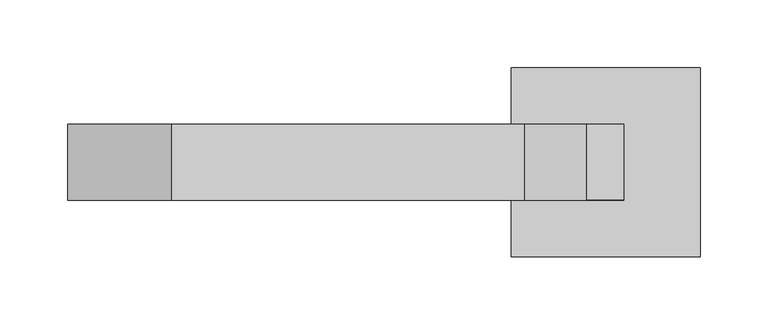
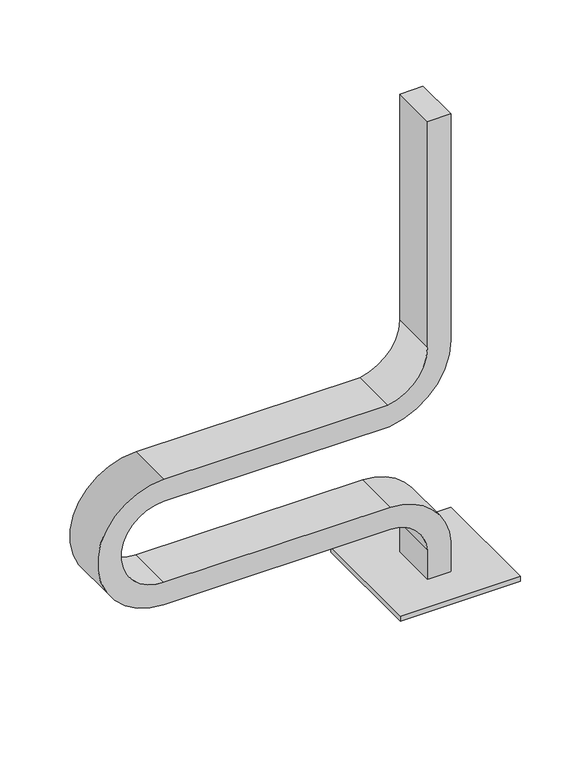
"""IFC4 building model written with IfcOpenShell, lengths in millimetres: furniture geometry."""

import ifcopenshell
import ifcopenshell.guid

model = None  # the IFC model being written
_history = None  # IfcOwnerHistory: only IFC2X3 demands one
_inside = {}  # id of a spatial element -> (the spatial element, [elements in it])
_under = {}  # id of a project, library or spatial element -> (it, [spatial elements below it])
_declared = {}  # id of a project -> (the project, [libraries it declares])
_typed = {}  # id of a type object -> (the type object, [elements of that type])
_made_of = {}  # id of a material, layer set ... -> (it, [elements and type objects made of it])


def new_model(schema):
    """Start an empty IFC model of exactly this schema.

    Asked for "IFC4X3", IfcOpenShell would pick the latest addendum, in which some entities
    have other attributes; the version numbers below select the first issue.
    IFC2X3 requires an IfcOwnerHistory on every rooted entity: one is made here for all.
    """
    global model, _history
    if schema == "IFC4X3":
        model = ifcopenshell.file(schema_version=(4, 3, 0, 0))
    else:
        model = ifcopenshell.file(schema=schema)
    _inside.clear()
    _under.clear()
    _declared.clear()
    _typed.clear()
    _made_of.clear()
    _history = None
    if model.schema == "IFC2X3":
        org = make("IfcOrganization", Name="unknown")
        user = make(
            "IfcPersonAndOrganization",
            ThePerson=make("IfcPerson", FamilyName="unknown"),
            TheOrganization=org,
        )
        app = make(
            "IfcApplication",
            ApplicationDeveloper=org,
            Version="unknown",
            ApplicationFullName="unknown",
            ApplicationIdentifier="unknown",
        )
        _history = make(
            "IfcOwnerHistory",
            OwningUser=user,
            OwningApplication=app,
            ChangeAction="ADDED",
            CreationDate=0,
        )
    return model


def make(cls, **values):
    """One entity of the class cls with the attributes given. An attribute that is None is left unset."""
    return model.create_entity(
        cls, **{name: value for name, value in values.items() if value is not None}
    )


def rooted(cls, **values):
    """An entity with a GlobalId (a new one), such as an element, a storey or a relation."""
    return make(cls, GlobalId=ifcopenshell.guid.new(), OwnerHistory=_history, **values)


def si_unit(unit_type, name, prefix=None):
    """IfcSIUnit, for example si_unit("LENGTHUNIT", "METRE", prefix="MILLI")."""
    return make("IfcSIUnit", UnitType=unit_type, Prefix=prefix, Name=name)


def assignment(units):
    """IfcUnitAssignment: the units of a project."""
    return None if units is None else make("IfcUnitAssignment", Units=units)


def point(xyz):
    """IfcCartesianPoint."""
    return None if xyz is None else make("IfcCartesianPoint", Coordinates=xyz)


def direction(xyz):
    """IfcDirection."""
    return None if xyz is None else make("IfcDirection", DirectionRatios=xyz)


def frame(location, z_axis=None, x_axis=None):
    """IfcAxis2Placement3D, a coordinate frame: its origin and axes. An axis left out is left unset."""
    return make(
        "IfcAxis2Placement3D",
        Location=point(location),
        Axis=direction(z_axis),
        RefDirection=direction(x_axis),
    )


def frame_2d(location, x_axis=None):
    """IfcAxis2Placement2D, a coordinate frame in the plane: its origin and x axis."""
    return make(
        "IfcAxis2Placement2D", Location=point(location), RefDirection=direction(x_axis)
    )


def origin():
    """The frame at (0, 0, 0) with its axes left unset."""
    return frame((0.0, 0.0, 0.0))


def origin_with_axes():
    """The frame at (0, 0, 0) with the z axis (0, 0, 1) and the x axis (1, 0, 0) written out."""
    return frame((0.0, 0.0, 0.0), z_axis=(0.0, 0.0, 1.0), x_axis=(1.0, 0.0, 0.0))


def place(relative_to, where):
    """IfcLocalPlacement: puts the frame where relative to a parent placement (None: the world)."""
    return make(
        "IfcLocalPlacement", PlacementRelTo=relative_to, RelativePlacement=where
    )


def context(
    kind, dimensions, precision=None, world=None, true_north=None, identifier=None
):
    """IfcGeometricRepresentationContext, for example the 3D "Model" context."""
    return make(
        "IfcGeometricRepresentationContext",
        ContextIdentifier=identifier,
        ContextType=kind,
        CoordinateSpaceDimension=dimensions,
        Precision=precision,
        WorldCoordinateSystem=world,
        TrueNorth=true_north,
    )


def project(units=None, contexts=None):
    """IfcProject with its units and contexts."""
    return rooted(
        "IfcProject",
        Name="project",
        RepresentationContexts=contexts,
        UnitsInContext=assignment(units),
    )


def spatial(cls, under=None, at=None, **own):
    """A site, building, storey or space (cls), placed at a placement, below another one or the project."""
    s = rooted(cls, ObjectPlacement=at, **own)
    if under is not None:
        _under.setdefault(under.id(), (under, []))[1].append(s)
    return s


def polyline(points):
    """IfcPolyline through the points."""
    return make("IfcPolyline", Points=[point(p) for p in points])


def circle_curve(where, radius):
    """IfcCircle in the frame where."""
    return make("IfcCircle", Position=where, Radius=radius)


def trimmed(basis, trim1, trim2, sense, master):
    """IfcTrimmedCurve: the piece of a basis curve between two trims."""
    return make(
        "IfcTrimmedCurve",
        BasisCurve=basis,
        Trim1=trim1,
        Trim2=trim2,
        SenseAgreement=sense,
        MasterRepresentation=master,
    )


def segment(curve, same_sense, transition):
    """IfcCompositeCurveSegment."""
    return make(
        "IfcCompositeCurveSegment",
        Transition=transition,
        SameSense=same_sense,
        ParentCurve=curve,
    )


def composite_curve(segments, self_intersect=None):
    """IfcCompositeCurve: segments joined end to end."""
    return make("IfcCompositeCurve", Segments=segments, SelfIntersect=self_intersect)


def outline(outer, holes=None, kind="AREA"):
    """IfcArbitraryClosedProfileDef: a profile drawn as a closed curve; with holes, ...WithVoids."""
    if holes is None:
        return make("IfcArbitraryClosedProfileDef", ProfileType=kind, OuterCurve=outer)
    return make(
        "IfcArbitraryProfileDefWithVoids",
        ProfileType=kind,
        OuterCurve=outer,
        InnerCurves=holes,
    )


def extrude(swept, where, along, depth):
    """IfcExtrudedAreaSolid: the profile swept, set in the frame where, extruded along a direction by depth."""
    return make(
        "IfcExtrudedAreaSolid",
        SweptArea=swept,
        Position=where,
        ExtrudedDirection=direction(along),
        Depth=depth,
    )


def shape(context_of_items, identifier, shape_type, items):
    """IfcShapeRepresentation: the items that make up one representation, for example the "Body"."""
    return make(
        "IfcShapeRepresentation",
        ContextOfItems=context_of_items,
        RepresentationIdentifier=identifier,
        RepresentationType=shape_type,
        Items=items,
    )


def source(mapping_origin, context_of_items, identifier, shape_type, items):
    """IfcRepresentationMap: a shape defined once, which mapped items show again and again."""
    return make(
        "IfcRepresentationMap",
        MappingOrigin=mapping_origin,
        MappedRepresentation=shape(context_of_items, identifier, shape_type, items),
    )


def transform(
    local_origin,
    x_axis=None,
    y_axis=None,
    z_axis=None,
    scale=None,
    scale2=None,
    scale3=None,
    uniform=True,
):
    """IfcCartesianTransformationOperator3D, or its non-uniform kind. x_axis, y_axis, z_axis: its Axis1, 2, 3."""
    if uniform:
        return make(
            "IfcCartesianTransformationOperator3D",
            Axis1=direction(x_axis),
            Axis2=direction(y_axis),
            LocalOrigin=point(local_origin),
            Scale=scale,
            Axis3=direction(z_axis),
        )
    return make(
        "IfcCartesianTransformationOperator3DnonUniform",
        Axis1=direction(x_axis),
        Axis2=direction(y_axis),
        LocalOrigin=point(local_origin),
        Scale=scale,
        Axis3=direction(z_axis),
        Scale2=scale2,
        Scale3=scale3,
    )


def mapped(mapping_source, mapping_target):
    """IfcMappedItem: shows the shape of a source again, moved by a transform."""
    return make(
        "IfcMappedItem", MappingSource=mapping_source, MappingTarget=mapping_target
    )


def made_of(thing, what):
    """Note that an element or type object is made of a material, layer set ...; save() writes the relation."""
    if what is not None:
        _made_of.setdefault(what.id(), (what, []))[1].append(thing)
    return thing


def element(
    cls,
    number,
    at=None,
    inside=None,
    cuts=None,
    type_object=None,
    material=None,
    context=None,
    identifier="Body",
    shape_type=None,
    held_by="IfcProductDefinitionShape",
    body=None,
    shapes=None,
    **own,
):
    """One element of the class cls, such as IfcWall. Its Tag is "e" and its number.

    at: its placement. inside: the storey or other place that contains it. cuts: it is an
    opening in that element (IfcRelVoidsElement). A single representation is given by context,
    identifier, shape_type and body (its items); several are given by shapes. held_by: the class
    of the entity that holds the representations. save() writes the other relations.
    """
    e = rooted(cls, Tag="e%d" % number, ObjectPlacement=at, **own)
    if body is not None:
        shapes = [shape(context, identifier, shape_type, body)]
    if shapes is not None:
        e.Representation = make(held_by, Representations=shapes)
    if inside is not None:
        _inside.setdefault(inside.id(), (inside, []))[1].append(e)
    if cuts is not None:
        rooted(
            "IfcRelVoidsElement", RelatingBuildingElement=cuts, RelatedOpeningElement=e
        )
    if type_object is not None:
        _typed.setdefault(type_object.id(), (type_object, []))[1].append(e)
    return made_of(e, material)


def aggregate(whole, parts):
    """IfcRelAggregates: a whole, such as a stair, and the parts it consists of."""
    return rooted("IfcRelAggregates", RelatingObject=whole, RelatedObjects=parts)


def save(model, path):
    """Write the relations noted so far, then the file.

    IfcRelAggregates (storeys below a building ...), IfcRelContainedInSpatialStructure (elements
    in a storey), IfcRelDefinesByType, IfcRelAssociatesMaterial and IfcRelDeclares: one each for
    every whole, place, type object, material and project.
    """
    for whole, parts in _under.values():
        aggregate(whole, parts)
    for where, things in _inside.values():
        rooted(
            "IfcRelContainedInSpatialStructure",
            RelatedElements=things,
            RelatingStructure=where,
        )
    for kind, things in _typed.values():
        rooted("IfcRelDefinesByType", RelatedObjects=things, RelatingType=kind)
    for what, things in _made_of.values():
        rooted("IfcRelAssociatesMaterial", RelatedObjects=things, RelatingMaterial=what)
    for by, libraries in _declared.values():
        rooted("IfcRelDeclares", RelatingContext=by, RelatedDefinitions=libraries)
    model.write(path)


def plane_surface(at):
    """IfcPlane: the flat surface through the origin of the frame at, square to its z axis."""
    return make("IfcPlane", Position=at)


def cylinder_surface(at, radius):
    """IfcCylindricalSurface: all points at the distance radius from the z axis of the frame at."""
    return make("IfcCylindricalSurface", Position=at, Radius=radius)


def revolved_surface(curve, axis_point, axis_direction):
    """IfcSurfaceOfRevolution: the curve turned about the line through axis_point along axis_direction."""
    return make(
        "IfcSurfaceOfRevolution",
        SweptCurve=make("IfcArbitraryOpenProfileDef", ProfileType="CURVE", Curve=curve),
        AxisPosition=make("IfcAxis1Placement", Location=point(axis_point), Axis=direction(axis_direction)),
    )


def advanced_brep(points, edges, surfaces, faces):
    """IfcAdvancedBrep: a solid bounded by faces that lie on surfaces and meet in shared edges.

    An edge is (start, end): straight between two places in points (the first is 0);
    or (start, end, curve); or (start, end, curve, False) where it runs against its curve.
    A face is (place in surfaces, loops), or (place, loops, False) where it looks against
    its surface's normal. A loop lists edges by number (the first is 1), with a minus sign
    where the edge is run from its end to its start. The first loop is the outer one.
    """
    corners = [point(p) for p in points]
    vertices = [make("IfcVertexPoint", VertexGeometry=c) for c in corners]
    made = []
    for start, end, *more in edges:
        made.append(
            make(
                "IfcEdgeCurve",
                EdgeStart=vertices[start],
                EdgeEnd=vertices[end],
                EdgeGeometry=more[0] if more else make("IfcPolyline", Points=[corners[start], corners[end]]),
                SameSense=more[1] if len(more) > 1 else True,
            )
        )
    hull = []
    for where, loops, *sense in faces:
        bounds = []
        for j, loop in enumerate(loops):
            ring = [make("IfcOrientedEdge", EdgeElement=made[abs(k) - 1], Orientation=k > 0) for k in loop]
            bounds.append(
                make(
                    "IfcFaceOuterBound" if j == 0 else "IfcFaceBound",
                    Bound=make("IfcEdgeLoop", EdgeList=ring),
                    Orientation=True,
                )
            )
        hull.append(make("IfcAdvancedFace", Bounds=bounds, FaceSurface=surfaces[where], SameSense=sense[0] if sense else True))
    return make("IfcAdvancedBrep", Outer=make("IfcClosedShell", CfsFaces=hull))


def furniture_2d7f54d5(model_context):
    return source(origin(), model_context, "Body", "SolidModel", [
        extrude(outline(composite_curve([segment(trimmed(circle_curve(frame_2d((763.6014244, 58.0553319)), 4.978544), [point((758.6228804, 58.0553319))], [point((768.5799684, 58.0553319))], False, "CARTESIAN"), True, "CONTINUOUS"), segment(trimmed(circle_curve(frame_2d((763.6014244, 58.0553319)), 4.978544), [point((768.5799684, 58.0553319))], [point((758.6228804, 58.0553319))], False, "CARTESIAN"), True, "CONTINUOUS")], self_intersect=False)), origin_with_axes(), (0.0, 0.0, 1.0), 5.0),
        extrude(outline(composite_curve([segment(trimmed(circle_curve(frame_2d((879.5288601, 58.0553319)), 4.978544), [point((874.5503161, 58.0553319))], [point((884.5074041, 58.0553319))], False, "CARTESIAN"), True, "CONTINUOUS"), segment(trimmed(circle_curve(frame_2d((879.5288601, 58.0553319)), 4.978544), [point((884.5074041, 58.0553319))], [point((874.5503161, 58.0553319))], False, "CARTESIAN"), True, "CONTINUOUS")], self_intersect=False)), origin_with_axes(), (0.0, 0.0, 1.0), 5.0),
        extrude(outline(composite_curve([segment(trimmed(circle_curve(frame_2d((763.6014244, -58.0553319)), 4.978544), [point((758.6228804, -58.0553319))], [point((768.5799684, -58.0553319))], False, "CARTESIAN"), True, "CONTINUOUS"), segment(trimmed(circle_curve(frame_2d((763.6014244, -58.0553319)), 4.978544), [point((768.5799684, -58.0553319))], [point((758.6228804, -58.0553319))], False, "CARTESIAN"), True, "CONTINUOUS")], self_intersect=False)), origin_with_axes(), (0.0, 0.0, 1.0), 5.0),
        extrude(outline(composite_curve([segment(trimmed(circle_curve(frame_2d((879.5288601, -58.0553319)), 4.978544), [point((874.5503161, -58.0553319))], [point((884.5074041, -58.0553319))], False, "CARTESIAN"), True, "CONTINUOUS"), segment(trimmed(circle_curve(frame_2d((879.5288601, -58.0553319)), 4.978544), [point((884.5074041, -58.0553319))], [point((874.5503161, -58.0553319))], False, "CARTESIAN"), True, "CONTINUOUS")], self_intersect=False)), origin_with_axes(), (0.0, 0.0, 1.0), 5.0),
        extrude(outline(polyline([(891.5651422, 70.0), (891.5651422, -70.0), (751.5651422, -70.0), (751.5651422, 70.0), (891.5651422, 70.0)])), frame((0.0, 0.0, 5.0), z_axis=(0.0, 0.0, 1.0), x_axis=(1.0, 0.0, 0.0)), (0.0, 0.0, 1.0), 6.0),
        advanced_brep(
        [(807.4659827, -27.9558153, 11.0), (807.4659827, 27.9558153, 11.0), (834.6579846, 27.9558153, 11.0), (834.6579846, -27.9558153, 11.0), (807.4659827, -27.9558153, 47.0524338), (807.4659827, 27.9558153, 47.0524338), (834.6579846, 27.9558153, 47.8147532), (834.6579846, -27.9558153, 47.8147532), (764.287774, 27.9558153, 87.9015784), (764.287774, -27.9558153, 87.9015784), (764.513913, -27.9558153, 115.0926399), (764.513913, 27.9558153, 115.0926399), (500.0, -27.9558153, 87.9010908), (500.0, 27.9558153, 87.9010908), (500.0, 27.9558153, 115.0930927), (500.0, -27.9558153, 115.0930927), (500.0, 27.9558153, 242.0989092), (500.0, -27.9558153, 242.0989092), (500.0, -27.9558153, 214.9069073), (500.0, 27.9558153, 214.9069073), (761.0306629, -27.9558153, 242.0989092), (761.0306629, 27.9558153, 242.0989092), (763.0352709, 27.9558153, 214.9069073), (763.0352709, -27.9558153, 214.9069073), (807.4662451, 27.9558153, 296.4787195), (807.4662451, -27.9558153, 296.4787195), (834.6577283, 27.9558153, 296.3107738), (807.4659762, 27.9558153, 575.0), (834.6579781, 27.9558153, 575.0), (834.6577283, -27.9558153, 296.3107738), (834.6579781, -27.9558153, 575.0), (807.4659762, -27.9558153, 575.0)],
        [
            (0, 1),
            (1, 2),
            (2, 3),
            (3, 0),
            (0, 4),
            (4, 5),
            (5, 1),
            (2, 6),
            (6, 7),
            (7, 3),
            (8, 5, circle_curve(frame((763.9249333, 27.9558153, 44.2734439), z_axis=(0.0, 1.0, 0.0), x_axis=(0.9984653379141396, 0.0, 0.055380221956967894)), 43.6296433)),
            (4, 9, circle_curve(frame((763.9249333, -27.9558153, 44.2734439), z_axis=(0.0, -1.0, 0.0), x_axis=(0.9984653379141396, 0.0, 0.055380221956967894)), 43.6296433)),
            (9, 8),
            (10, 7, circle_curve(frame((763.9249333, -27.9558153, 44.2734439), z_axis=(0.0, 1.0, 0.0), x_axis=(0.9984653379141396, 0.0, 0.055380221956967894)), 70.8216452)),
            (6, 11, circle_curve(frame((763.9249333, 27.9558153, 44.2734439), z_axis=(0.0, -1.0, 0.0), x_axis=(0.9984653379141396, 0.0, 0.055380221956967894)), 70.8216452)),
            (11, 10),
            (9, 12),
            (12, 13),
            (13, 8),
            (11, 14),
            (14, 15),
            (15, 10),
            (16, 13, circle_curve(frame((500.0, 27.9558153, 165.0), z_axis=(0.0, -1.0, 0.0), x_axis=(0.0, 0.0, -1.0)), 77.0989092)),
            (12, 17, circle_curve(frame((500.0, -27.9558153, 165.0), z_axis=(0.0, 1.0, 0.0), x_axis=(0.0, 0.0, -1.0)), 77.0989092)),
            (17, 16),
            (18, 15, circle_curve(frame((500.0, -27.9558153, 165.0), z_axis=(0.0, -1.0, 0.0), x_axis=(0.0, 0.0, -1.0)), 49.9069073)),
            (14, 19, circle_curve(frame((500.0, 27.9558153, 165.0), z_axis=(0.0, 1.0, 0.0), x_axis=(0.0, 0.0, -1.0)), 49.9069073)),
            (19, 18),
            (17, 20),
            (20, 21),
            (21, 16),
            (19, 22),
            (22, 23),
            (23, 18),
            (24, 21, circle_curve(frame((752.0057332, 27.9558153, 296.8212662), z_axis=(0.0, 1.0, 0.0), x_axis=(0.1453990412588494, 0.0, -0.9893730938331643)), 55.4615697)),
            (20, 25, circle_curve(frame((752.0057332, -27.9558153, 296.8212662), z_axis=(0.0, -1.0, 0.0), x_axis=(0.1453990412588494, 0.0, -0.9893730938331643)), 55.4615697)),
            (25, 24),
            (26, 22, circle_curve(frame((752.0057332, 27.9558153, 296.8212662), z_axis=(0.0, 1.0, 0.0), x_axis=(0.1453990412588494, 0.0, -0.9893730938331643)), 82.6535716)),
            (24, 27),
            (27, 28),
            (28, 26),
            (29, 23, circle_curve(frame((752.0057332, -27.9558153, 296.8212662), z_axis=(0.0, 1.0, 0.0), x_axis=(0.1453990412588494, 0.0, -0.9893730938331643)), 82.6535716)),
            (26, 29),
            (29, 30),
            (30, 31),
            (31, 25),
            (30, 28),
            (27, 31),
        ],
        [
            plane_surface(frame((821.5648919, 0.0, 11.0), z_axis=(0.0, 0.0, -1.0), x_axis=(0.0, -1.0, 0.0))),
            plane_surface(frame((807.4659827, -27.9558153, 11.0), z_axis=(-1.0, 0.0, 0.0), x_axis=(0.0, 0.0, 1.0))),
            plane_surface(frame((834.6579846, 27.9558153, 11.0), z_axis=(1.0, 0.0, 0.0), x_axis=(0.0, 0.0, 1.0))),
            revolved_surface(polyline([(807.4876198406079, -27.9558153, 46.68966322985733), (807.4876198406079, 27.9558153, 46.68966322985733)]), (763.9249333, 0.0, 44.2734439), (0.0, -1.0, 0.0)),
            cylinder_surface(frame((763.9249333, 0.0, 44.2734439), z_axis=(0.0, -1.0, 0.0), x_axis=(0.9984653379141396, 0.0, 0.055380221956967894)), 70.8216452),
            plane_surface(frame((764.2877699, -27.9558153, 87.9010908), z_axis=(0.0, 0.0, -1.0), x_axis=(-1.0, 0.0, 0.0))),
            plane_surface(frame((764.5139168, 27.9558153, 115.0930927), z_axis=(0.0, 0.0, 1.0), x_axis=(-1.0, 0.0, 0.0))),
            cylinder_surface(frame((500.0, 0.0, 165.0), z_axis=(0.0, 1.0, 0.0), x_axis=(0.0, 0.0, -1.0)), 77.0989092),
            revolved_surface(polyline([(500.0, 27.9558153, 115.0930927), (500.0, -27.9558153, 115.0930927)]), (500.0, 0.0, 165.0), (0.0, 1.0, 0.0)),
            plane_surface(frame((500.0, -27.9558153, 242.0989092), z_axis=(0.0, 0.0, 1.0), x_axis=(1.0, 0.0, 0.0))),
            plane_surface(frame((500.0, 27.9558153, 214.9069073), z_axis=(0.0, 0.0, -1.0), x_axis=(1.0, 0.0, 0.0))),
            revolved_surface(polyline([(760.0697922610908, -27.9558153, 241.94908139706735), (760.0697922610908, 27.9558153, 241.94908139706735)]), (752.0057332, 0.0, 296.8212662), (0.0, -1.0, 0.0)),
            plane_surface(frame((752.0057332, 27.9558153, 296.8212662), z_axis=(0.0, 1.0, 0.0), x_axis=(0.14539904125884942, 0.0, -0.9893730938331644))),
            cylinder_surface(frame((752.0057332, 0.0, 296.8212662), z_axis=(0.0, -1.0, 0.0), x_axis=(0.1453990412588494, 0.0, -0.9893730938331643)), 82.6535716),
            plane_surface(frame((752.0057332, -27.9558153, 296.8212662), z_axis=(0.0, -1.0, 0.0), x_axis=(0.14539904125884942, 0.0, -0.9893730938331644))),
            plane_surface(frame((821.5648854, 0.0, 575.0), z_axis=(0.0, 0.0, 1.0), x_axis=(0.0, -1.0, 0.0))),
            plane_surface(frame((807.4659762, -27.9558153, 296.4787211), z_axis=(-1.0, 0.0, 0.0), x_axis=(0.0, 0.0, 1.0))),
            plane_surface(frame((834.6579781, 27.9558153, 296.3107723), z_axis=(1.0, 0.0, 0.0), x_axis=(0.0, 0.0, 1.0))),
        ],
        [
            (0, [[1, 2, 3, 4]]),
            (1, [[-1, 5, 6, 7]]),
            (2, [[-3, 8, 9, 10]]),
            (3, [[11, -6, 12, 13]]),
            (4, [[14, -9, 15, 16]]),
            (5, [[-13, 17, 18, 19]]),
            (6, [[-16, 20, 21, 22]]),
            (7, [[23, -18, 24, 25]]),
            (8, [[26, -21, 27, 28]]),
            (9, [[-25, 29, 30, 31]]),
            (10, [[-28, 32, 33, 34]]),
            (11, [[35, -30, 36, 37]]),
            (12, [[38, -32, -27, -20, -15, -8, -2, -7, -11, -19, -23, -31, -35, 39, 40, 41]]),
            (13, [[42, -33, -38, 43]]),
            (14, [[-36, -29, -24, -17, -12, -5, -4, -10, -14, -22, -26, -34, -42, 44, 45, 46]]),
            (15, [[-45, 47, -40, 48]]),
            (16, [[-37, -46, -48, -39]]),
            (17, [[-43, -41, -47, -44]]),
        ],
    ),
    ])


if __name__ == "__main__":
    model = new_model("IFC4")
    model_context = context("Model", 3, world=origin())
    ifc_project = project(units=[si_unit("LENGTHUNIT", "METRE", prefix="MILLI")], contexts=[model_context])
    site = spatial("IfcSite", under=ifc_project)
    building = spatial("IfcBuilding", under=site)
    placement = place(None, origin())
    furniture_shape = furniture_2d7f54d5(model_context)
    element("IfcFurniture", 1, at=placement, inside=building, context=model_context, shape_type="MappedRepresentation", body=[
        mapped(furniture_shape, transform((0.0, 0.0, 0.0), x_axis=(1.0, 0.0, 0.0), y_axis=(0.0, 1.0, 0.0), z_axis=(0.0, 0.0, 1.0))),
    ])
    save(model, "model.ifc")
